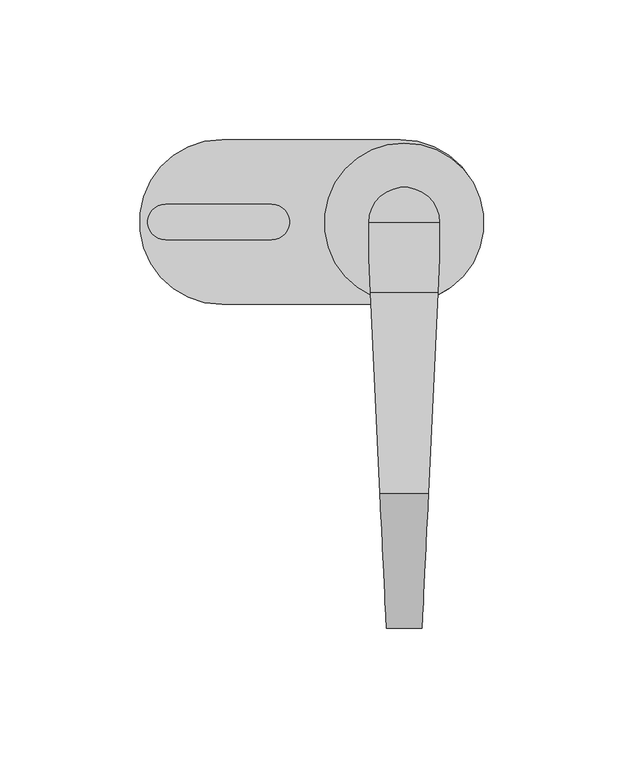
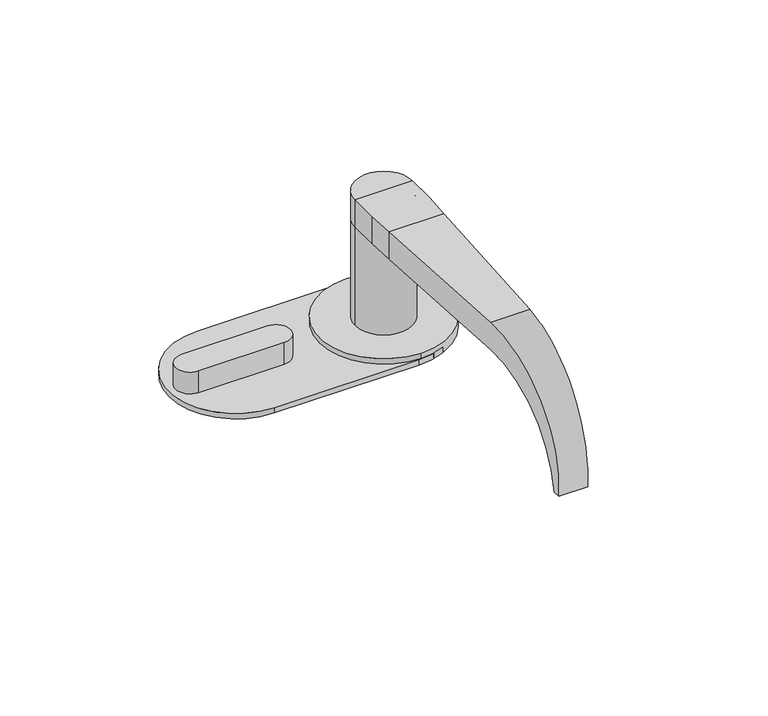
"""IFC4 building model written with IfcOpenShell, lengths in millimetres: proxy geometry."""

from ifc_helpers import new_model, si_unit, point, frame, frame_2d, origin, origin_with_axes, place, context, project, spatial, polyline, circle_curve, ellipse_curve, trimmed, segment, composite_curve, outline, extrude, source, transform, mapped, element, save
from ifc_brep_helpers import plane_surface, cylinder_surface, revolved_surface, advanced_brep


def security_devices_d899d979(model_context):
    return source(origin(), model_context, "Body", "SolidModel", [
        advanced_brep(
        [(-7.482608, -97.1492182, 50.7997), (-10.9231028, -25.3504186, 50.7997), (13.2943918, -25.3504186, 50.7997), (9.853897, -97.1492182, 50.7997), (-10.9231028, -25.3504186, 63.4997), (13.2943918, -25.3504186, 63.4997), (-7.482608, -97.1492182, 63.4997), (9.853897, -97.1492182, 63.4997), (-5.1643555, -145.5282333, 19.1808168), (-5.1643555, -145.5282333, 10.688597), (7.5356445, -145.5282333, 10.688597), (7.5356445, -145.5282333, 19.1808168), (-5.3179518, -142.3228707, 10.688597), (7.6892409, -142.3228707, 10.688597)],
        [
            (0, 1),
            (1, 2),
            (2, 3),
            (3, 0),
            (1, 4),
            (4, 5),
            (5, 2),
            (4, 6),
            (6, 7),
            (7, 5),
            (6, 8, ellipse_curve(frame((-7.482608, -97.1492182, 14.9347069), z_axis=(0.9988538794169152, 0.0478636351918534, 0.0), x_axis=(-0.04786363519185008, 0.9988538794169153, 0.0)), 48.6207182, 48.564993)),
            (8, 9, circle_curve(frame((-5.1643555, -97.1492182, 14.9347069), z_axis=(1.0, 0.0, 0.0), x_axis=(0.0, -1.0, 0.0)), 48.564993)),
            (9, 10),
            (10, 11, circle_curve(frame((7.5356445, -97.1492182, 14.9347069), z_axis=(-1.0, 0.0, 0.0), x_axis=(0.0, -1.0, 0.0)), 48.564993)),
            (11, 7, ellipse_curve(frame((9.853897, -97.1492182, 14.9347069), z_axis=(-0.9988538794169146, 0.04786363519186304, 0.0), x_axis=(-0.04786363519186451, -0.9988538794169145, 0.0)), 48.6207182, 48.564993)),
            (9, 12),
            (12, 13),
            (13, 10),
            (3, 13, ellipse_curve(frame((9.853897, -97.1492182, 5.3065672), z_axis=(0.9988538794169146, -0.04786363519186304, 0.0), x_axis=(0.04786363519186451, 0.9988538794169145, 0.0)), 45.5453332, 45.4931328)),
            (12, 0, ellipse_curve(frame((-7.482608, -97.1492182, 5.3065672), z_axis=(-0.9988538794169152, -0.0478636351918534, 0.0), x_axis=(0.04786363519185008, -0.9988538794169153, 0.0)), 45.5453332, 45.4931328)),
            (11, 10),
            (8, 9),
        ],
        [
            plane_surface(frame((-11.5143555, -97.1492182, 50.7997), z_axis=(0.0, 0.0, -1.0), x_axis=(1.0, 0.0, 0.0))),
            plane_surface(frame((-11.5143555, -25.3504186, 50.7997), z_axis=(0.0, 1.0, 0.0), x_axis=(1.0, 0.0, 0.0))),
            plane_surface(frame((-11.5143555, -25.3504186, 63.4997), z_axis=(0.0, 0.0, 1.0), x_axis=(1.0, 0.0, 0.0))),
            cylinder_surface(frame((13.8856445, -97.1492182, 14.9347069), z_axis=(-1.0, 0.0, 0.0), x_axis=(0.0, -1.0, 0.0)), 48.564993),
            plane_surface(frame((-11.5143555, -145.5282333, 10.688597), z_axis=(0.0, 0.0, -1.0), x_axis=(1.0, 0.0, 0.0))),
            revolved_surface(polyline([(12.033862212976715, -142.64235100000002, 5.3065672), (-9.662573212976058, -142.64235100000002, 5.3065672)]), (13.8856445, -97.1492182, 5.3065672), (1.0, 0.0, 0.0)),
            plane_surface(frame((7.5356445, -145.5282333, 66.7497141), z_axis=(0.9988538794169146, -0.04786363519186304, 0.0), x_axis=(0.0, 0.0, -1.0))),
            plane_surface(frame((7.5356445, -148.7131319, 66.7497141), z_axis=(1.0, 0.0, 0.0), x_axis=(0.0, 0.0, -1.0))),
            plane_surface(frame((-5.1643555, -145.5282333, 66.7497141), z_axis=(-1.0, 0.0, 0.0), x_axis=(0.0, 0.0, -1.0))),
            plane_surface(frame((-12.1226203, -0.3179962, 66.7497141), z_axis=(-0.9988538794169152, -0.0478636351918534, 0.0), x_axis=(0.0, 0.0, -1.0))),
        ],
        [
            (0, [[1, 2, 3, 4]]),
            (1, [[5, 6, 7, -2]]),
            (2, [[8, 9, 10, -6]]),
            (3, [[11, 12, 13, 14, 15, -9]]),
            (4, [[16, 17, 18, -13]]),
            (5, [[19, -17, 20, -4]]),
            (6, [[-18, -19, -3, -7, -10, -15, 21]]),
            (7, [[-14, -21]]),
            (8, [[-12, 22]]),
            (9, [[-11, -8, -5, -1, -20, -16, -22]]),
        ],
    ),
        extrude(outline(polyline([(13.8856445, -0.3117182), (13.8856445, -13.0117182), (13.2943918, -25.3504186), (-10.9231028, -25.3504186), (-11.5143555, -13.0117182), (-11.5143555, -0.3117182), (13.8856445, -0.3117182)])), frame((0.0, 0.0, 50.7997), z_axis=(0.0, 0.0, 1.0), x_axis=(1.0, 0.0, 0.0)), (0.0, 0.0, 1.0), 12.7),
        extrude(outline(composite_curve([segment(polyline([(13.8856445, -0.3117182), (-11.5143555, -0.3117182)]), True, "CONTINUOUS"), segment(trimmed(circle_curve(frame_2d((1.1856445, -0.3117182)), 12.7), [point((-11.5143555, -0.3117182))], [point((13.8856445, -0.3117182))], False, "CARTESIAN"), True, "CONTINUOUS")], self_intersect=False)), frame((0.0, 0.0, 50.7997), z_axis=(0.0, 0.0, 1.0), x_axis=(1.0, 0.0, 0.0)), (0.0, 0.0, 1.0), 12.7),
        extrude(outline(composite_curve([segment(trimmed(circle_curve(frame_2d((1.1856445, -0.3117182)), 12.7), [point((13.8856445, -0.3117182))], [point((-11.5143555, -0.3117182))], False, "CARTESIAN"), True, "CONTINUOUS"), segment(polyline([(-11.5143555, -0.3117182), (13.8856445, -0.3117182)]), True, "CONTINUOUS")], self_intersect=False)), frame((0.0, 0.0, 4.7622), z_axis=(0.0, 0.0, 1.0), x_axis=(1.0, 0.0, 0.0)), (0.0, 0.0, 1.0), 46.0375),
        extrude(outline(composite_curve([segment(polyline([(13.8856445, -0.3117182), (-11.5143555, -0.3117182)]), True, "CONTINUOUS"), segment(trimmed(circle_curve(frame_2d((1.1856445, -0.3117182)), 12.7), [point((-11.5143555, -0.3117182))], [point((13.8856445, -0.3117182))], False, "CARTESIAN"), True, "CONTINUOUS")], self_intersect=False)), frame((0.0, 0.0, 4.7622), z_axis=(0.0, 0.0, 1.0), x_axis=(1.0, 0.0, 0.0)), (0.0, 0.0, 1.0), 46.0375),
        extrude(outline(composite_curve([segment(trimmed(circle_curve(frame_2d((1.1776296, -0.3232339)), 28.550643), [point((1.1776296, -28.8738769))], [point((1.1776296, 28.227409))], False, "CARTESIAN"), True, "CONTINUOUS"), segment(trimmed(circle_curve(frame_2d((1.1776296, -0.3232339)), 28.550643), [point((1.1776296, 28.227409))], [point((1.1776296, -28.8738769))], False, "CARTESIAN"), True, "CONTINUOUS")], self_intersect=False)), frame((0.0, 0.0, -0.0003), z_axis=(0.0, 0.0, 1.0), x_axis=(1.0, 0.0, 0.0)), (0.0, 0.0, 1.0), 4.7625),
        extrude(outline(composite_curve([segment(trimmed(circle_curve(frame_2d((1.1856445, -0.3242743)), 12.7), [point((13.8856445, -0.3242743))], [point((-11.5143555, -0.3242743))], False, "CARTESIAN"), True, "CONTINUOUS"), segment(polyline([(-11.5143555, -0.3242743), (13.8856445, -0.3242743)]), True, "CONTINUOUS")], self_intersect=False)), frame((0.0, 0.0, 50.7997), z_axis=(0.0, 0.0, 1.0), x_axis=(1.0, 0.0, 0.0)), (0.0, 0.0, 1.0), 12.7),
        extrude(outline(composite_curve([segment(polyline([(13.8856445, -0.3242743), (-11.5143555, -0.3242743)]), True, "CONTINUOUS"), segment(trimmed(circle_curve(frame_2d((1.1856445, -0.3242743)), 12.7), [point((-11.5143555, -0.3242743))], [point((13.8856445, -0.3242743))], False, "CARTESIAN"), True, "CONTINUOUS")], self_intersect=False)), frame((0.0, 0.0, 4.7622), z_axis=(0.0, 0.0, 1.0), x_axis=(1.0, 0.0, 0.0)), (0.0, 0.0, 1.0), 58.7375),
        extrude(outline(composite_curve([segment(trimmed(circle_curve(frame_2d((1.1856445, -0.3242743)), 12.7), [point((13.8856445, -0.3242743))], [point((-11.5143555, -0.3242743))], False, "CARTESIAN"), True, "CONTINUOUS"), segment(polyline([(-11.5143555, -0.3242743), (13.8856445, -0.3242743)]), True, "CONTINUOUS")], self_intersect=False)), frame((0.0, 0.0, 4.7622), z_axis=(0.0, 0.0, 1.0), x_axis=(1.0, 0.0, 0.0)), (0.0, 0.0, 1.0), 46.0375),
        extrude(outline(composite_curve([segment(polyline([(-46.2735448, -6.35), (-84.3735448, -6.35)]), True, "CONTINUOUS"), segment(trimmed(circle_curve(frame_2d((-84.3735448, 0.0)), 6.35), [point((-84.3735448, -6.35))], [point((-84.3735448, 6.35))], False, "CARTESIAN"), True, "CONTINUOUS"), segment(polyline([(-84.3735448, 6.35), (-46.2735448, 6.35)]), True, "CONTINUOUS"), segment(trimmed(circle_curve(frame_2d((-46.2735448, 0.0)), 6.35), [point((-46.2735448, 6.35))], [point((-46.2735448, -6.35))], False, "CARTESIAN"), True, "CONTINUOUS")], self_intersect=False)), frame((0.0, 0.0, 2.5000211), z_axis=(0.0, 0.0, 1.0), x_axis=(1.0, 0.0, 0.0)), (0.0, 0.0, 1.0), 10.1999789),
        extrude(outline(composite_curve([segment(polyline([(-64.146875, 29.4401226), (-0.146875, 29.4401226)]), True, "CONTINUOUS"), segment(trimmed(circle_curve(frame_2d((-0.146875, -0.0598774)), 29.5), [point((-0.146875, 29.4401226))], [point((-0.146875, -29.5598774))], False, "CARTESIAN"), True, "CONTINUOUS"), segment(polyline([(-0.146875, -29.5598774), (-64.146875, -29.5598774)]), True, "CONTINUOUS"), segment(trimmed(circle_curve(frame_2d((-64.146875, -0.0598774)), 29.5), [point((-64.146875, -29.5598774))], [point((-64.146875, 29.4401226))], False, "CARTESIAN"), True, "CONTINUOUS")], self_intersect=False)), origin_with_axes(), (0.0, 0.0, 1.0), 2.5000211),
    ])


if __name__ == "__main__":
    model = new_model("IFC4")
    model_context = context("Model", 3, world=origin())
    ifc_project = project(units=[si_unit("LENGTHUNIT", "METRE", prefix="MILLI")], contexts=[model_context])
    site = spatial("IfcSite", under=ifc_project)
    building = spatial("IfcBuilding", under=site)
    placement = place(None, origin())
    security_devices_shape = security_devices_d899d979(model_context)
    element("IfcBuildingElementProxy", 1, Name="Security Devices", at=placement, inside=building, context=model_context, shape_type="MappedRepresentation", body=[
        mapped(security_devices_shape, transform((0.0, 0.0, 0.0), x_axis=(1.0, 0.0, 0.0), y_axis=(0.0, 1.0, 0.0), z_axis=(0.0, 0.0, 1.0))),
    ])
    save(model, "model.ifc")
